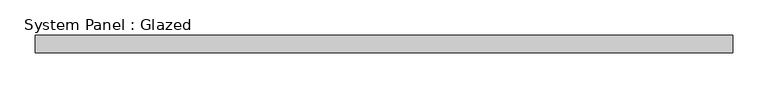
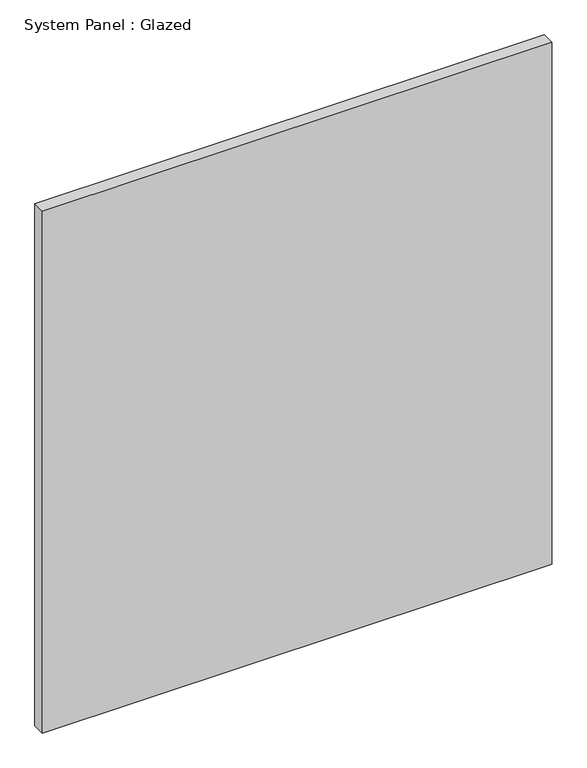
"""IFC4 building model written with IfcOpenShell, lengths in millimetres: plate geometry, System Panel : Glazed."""

import ifcopenshell
import ifcopenshell.guid

model = None  # the IFC model being written
_history = None  # IfcOwnerHistory: only IFC2X3 demands one
_inside = {}  # id of a spatial element -> (the spatial element, [elements in it])
_under = {}  # id of a project, library or spatial element -> (it, [spatial elements below it])
_declared = {}  # id of a project -> (the project, [libraries it declares])
_typed = {}  # id of a type object -> (the type object, [elements of that type])
_made_of = {}  # id of a material, layer set ... -> (it, [elements and type objects made of it])


def new_model(schema):
    """Start an empty IFC model of exactly this schema.

    Asked for "IFC4X3", IfcOpenShell would pick the latest addendum, in which some entities
    have other attributes; the version numbers below select the first issue.
    IFC2X3 requires an IfcOwnerHistory on every rooted entity: one is made here for all.
    """
    global model, _history
    if schema == "IFC4X3":
        model = ifcopenshell.file(schema_version=(4, 3, 0, 0))
    else:
        model = ifcopenshell.file(schema=schema)
    _inside.clear()
    _under.clear()
    _declared.clear()
    _typed.clear()
    _made_of.clear()
    _history = None
    if model.schema == "IFC2X3":
        org = make("IfcOrganization", Name="unknown")
        user = make(
            "IfcPersonAndOrganization",
            ThePerson=make("IfcPerson", FamilyName="unknown"),
            TheOrganization=org,
        )
        app = make(
            "IfcApplication",
            ApplicationDeveloper=org,
            Version="unknown",
            ApplicationFullName="unknown",
            ApplicationIdentifier="unknown",
        )
        _history = make(
            "IfcOwnerHistory",
            OwningUser=user,
            OwningApplication=app,
            ChangeAction="ADDED",
            CreationDate=0,
        )
    return model


def make(cls, **values):
    """One entity of the class cls with the attributes given. An attribute that is None is left unset."""
    return model.create_entity(
        cls, **{name: value for name, value in values.items() if value is not None}
    )


def rooted(cls, **values):
    """An entity with a GlobalId (a new one), such as an element, a storey or a relation."""
    return make(cls, GlobalId=ifcopenshell.guid.new(), OwnerHistory=_history, **values)


def si_unit(unit_type, name, prefix=None):
    """IfcSIUnit, for example si_unit("LENGTHUNIT", "METRE", prefix="MILLI")."""
    return make("IfcSIUnit", UnitType=unit_type, Prefix=prefix, Name=name)


def assignment(units):
    """IfcUnitAssignment: the units of a project."""
    return None if units is None else make("IfcUnitAssignment", Units=units)


def point(xyz):
    """IfcCartesianPoint."""
    return None if xyz is None else make("IfcCartesianPoint", Coordinates=xyz)


def direction(xyz):
    """IfcDirection."""
    return None if xyz is None else make("IfcDirection", DirectionRatios=xyz)


def frame(location, z_axis=None, x_axis=None):
    """IfcAxis2Placement3D, a coordinate frame: its origin and axes. An axis left out is left unset."""
    return make(
        "IfcAxis2Placement3D",
        Location=point(location),
        Axis=direction(z_axis),
        RefDirection=direction(x_axis),
    )


def origin():
    """The frame at (0, 0, 0) with its axes left unset."""
    return frame((0.0, 0.0, 0.0))


def origin_with_axes():
    """The frame at (0, 0, 0) with the z axis (0, 0, 1) and the x axis (1, 0, 0) written out."""
    return frame((0.0, 0.0, 0.0), z_axis=(0.0, 0.0, 1.0), x_axis=(1.0, 0.0, 0.0))


def place(relative_to, where):
    """IfcLocalPlacement: puts the frame where relative to a parent placement (None: the world)."""
    return make(
        "IfcLocalPlacement", PlacementRelTo=relative_to, RelativePlacement=where
    )


def context(
    kind, dimensions, precision=None, world=None, true_north=None, identifier=None
):
    """IfcGeometricRepresentationContext, for example the 3D "Model" context."""
    return make(
        "IfcGeometricRepresentationContext",
        ContextIdentifier=identifier,
        ContextType=kind,
        CoordinateSpaceDimension=dimensions,
        Precision=precision,
        WorldCoordinateSystem=world,
        TrueNorth=true_north,
    )


def project(units=None, contexts=None):
    """IfcProject with its units and contexts."""
    return rooted(
        "IfcProject",
        Name="project",
        RepresentationContexts=contexts,
        UnitsInContext=assignment(units),
    )


def spatial(cls, under=None, at=None, **own):
    """A site, building, storey or space (cls), placed at a placement, below another one or the project."""
    s = rooted(cls, ObjectPlacement=at, **own)
    if under is not None:
        _under.setdefault(under.id(), (under, []))[1].append(s)
    return s


def polyline(points):
    """IfcPolyline through the points."""
    return make("IfcPolyline", Points=[point(p) for p in points])


def outline(outer, holes=None, kind="AREA"):
    """IfcArbitraryClosedProfileDef: a profile drawn as a closed curve; with holes, ...WithVoids."""
    if holes is None:
        return make("IfcArbitraryClosedProfileDef", ProfileType=kind, OuterCurve=outer)
    return make(
        "IfcArbitraryProfileDefWithVoids",
        ProfileType=kind,
        OuterCurve=outer,
        InnerCurves=holes,
    )


def extrude(swept, where, along, depth):
    """IfcExtrudedAreaSolid: the profile swept, set in the frame where, extruded along a direction by depth."""
    return make(
        "IfcExtrudedAreaSolid",
        SweptArea=swept,
        Position=where,
        ExtrudedDirection=direction(along),
        Depth=depth,
    )


def shape(context_of_items, identifier, shape_type, items):
    """IfcShapeRepresentation: the items that make up one representation, for example the "Body"."""
    return make(
        "IfcShapeRepresentation",
        ContextOfItems=context_of_items,
        RepresentationIdentifier=identifier,
        RepresentationType=shape_type,
        Items=items,
    )


def source(mapping_origin, context_of_items, identifier, shape_type, items):
    """IfcRepresentationMap: a shape defined once, which mapped items show again and again."""
    return make(
        "IfcRepresentationMap",
        MappingOrigin=mapping_origin,
        MappedRepresentation=shape(context_of_items, identifier, shape_type, items),
    )


def transform(
    local_origin,
    x_axis=None,
    y_axis=None,
    z_axis=None,
    scale=None,
    scale2=None,
    scale3=None,
    uniform=True,
):
    """IfcCartesianTransformationOperator3D, or its non-uniform kind. x_axis, y_axis, z_axis: its Axis1, 2, 3."""
    if uniform:
        return make(
            "IfcCartesianTransformationOperator3D",
            Axis1=direction(x_axis),
            Axis2=direction(y_axis),
            LocalOrigin=point(local_origin),
            Scale=scale,
            Axis3=direction(z_axis),
        )
    return make(
        "IfcCartesianTransformationOperator3DnonUniform",
        Axis1=direction(x_axis),
        Axis2=direction(y_axis),
        LocalOrigin=point(local_origin),
        Scale=scale,
        Axis3=direction(z_axis),
        Scale2=scale2,
        Scale3=scale3,
    )


def mapped(mapping_source, mapping_target):
    """IfcMappedItem: shows the shape of a source again, moved by a transform."""
    return make(
        "IfcMappedItem", MappingSource=mapping_source, MappingTarget=mapping_target
    )


def made_of(thing, what):
    """Note that an element or type object is made of a material, layer set ...; save() writes the relation."""
    if what is not None:
        _made_of.setdefault(what.id(), (what, []))[1].append(thing)
    return thing


def element(
    cls,
    number,
    at=None,
    inside=None,
    cuts=None,
    type_object=None,
    material=None,
    context=None,
    identifier="Body",
    shape_type=None,
    held_by="IfcProductDefinitionShape",
    body=None,
    shapes=None,
    **own,
):
    """One element of the class cls, such as IfcWall. Its Tag is "e" and its number.

    at: its placement. inside: the storey or other place that contains it. cuts: it is an
    opening in that element (IfcRelVoidsElement). A single representation is given by context,
    identifier, shape_type and body (its items); several are given by shapes. held_by: the class
    of the entity that holds the representations. save() writes the other relations.
    """
    e = rooted(cls, Tag="e%d" % number, ObjectPlacement=at, **own)
    if body is not None:
        shapes = [shape(context, identifier, shape_type, body)]
    if shapes is not None:
        e.Representation = make(held_by, Representations=shapes)
    if inside is not None:
        _inside.setdefault(inside.id(), (inside, []))[1].append(e)
    if cuts is not None:
        rooted(
            "IfcRelVoidsElement", RelatingBuildingElement=cuts, RelatedOpeningElement=e
        )
    if type_object is not None:
        _typed.setdefault(type_object.id(), (type_object, []))[1].append(e)
    return made_of(e, material)


def aggregate(whole, parts):
    """IfcRelAggregates: a whole, such as a stair, and the parts it consists of."""
    return rooted("IfcRelAggregates", RelatingObject=whole, RelatedObjects=parts)


def save(model, path):
    """Write the relations noted so far, then the file.

    IfcRelAggregates (storeys below a building ...), IfcRelContainedInSpatialStructure (elements
    in a storey), IfcRelDefinesByType, IfcRelAssociatesMaterial and IfcRelDeclares: one each for
    every whole, place, type object, material and project.
    """
    for whole, parts in _under.values():
        aggregate(whole, parts)
    for where, things in _inside.values():
        rooted(
            "IfcRelContainedInSpatialStructure",
            RelatedElements=things,
            RelatingStructure=where,
        )
    for kind, things in _typed.values():
        rooted("IfcRelDefinesByType", RelatedObjects=things, RelatingType=kind)
    for what, things in _made_of.values():
        rooted("IfcRelAssociatesMaterial", RelatedObjects=things, RelatingMaterial=what)
    for by, libraries in _declared.values():
        rooted("IfcRelDeclares", RelatingContext=by, RelatedDefinitions=libraries)
    model.write(path)


def system_panel_glazed_a871388c(model_context):
    return source(origin(), model_context, "Body", "SweptSolid", [
        extrude(outline(polyline([(498.475, -12.7), (-498.475, -12.7), (-498.475, 12.7), (498.475, 12.7), (498.475, -12.7)])), origin_with_axes(), (0.0, 0.0, 1.0), 1080.0),
    ])


if __name__ == "__main__":
    model = new_model("IFC4")
    model_context = context("Model", 3, world=origin())
    ifc_project = project(units=[si_unit("LENGTHUNIT", "METRE", prefix="MILLI")], contexts=[model_context])
    site = spatial("IfcSite", under=ifc_project)
    building = spatial("IfcBuilding", under=site)
    placement = place(None, origin())
    system_panel_glazed_shape = system_panel_glazed_a871388c(model_context)
    element("IfcPlate", 1, ObjectType="System Panel : Glazed", at=placement, inside=building, context=model_context, shape_type="MappedRepresentation", body=[
        mapped(system_panel_glazed_shape, transform((0.0, 0.0, 0.0), x_axis=(1.0, 0.0, 0.0), y_axis=(0.0, 1.0, 0.0), z_axis=(0.0, 0.0, 1.0))),
    ])
    save(model, "model.ifc")
